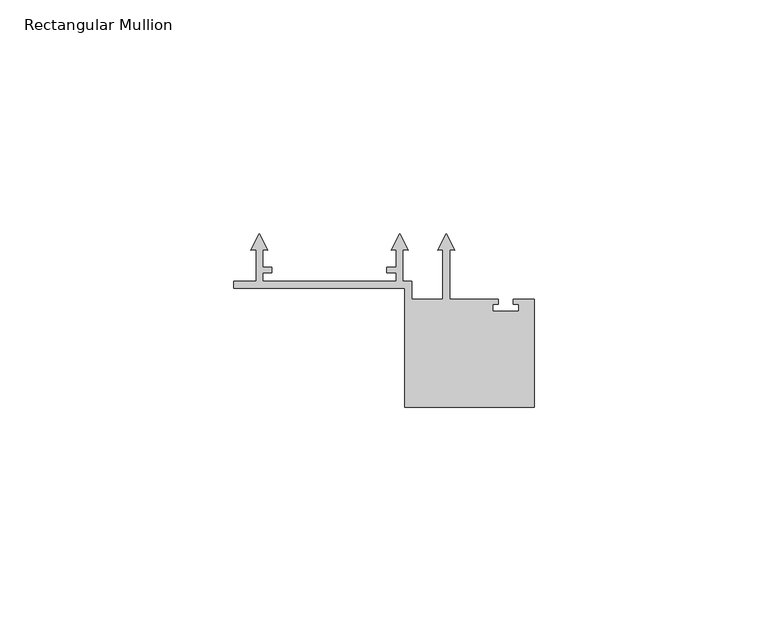
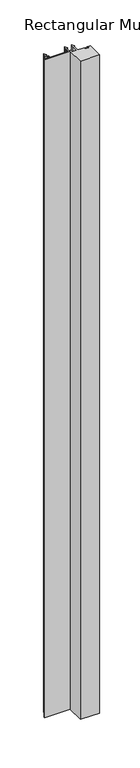
"""IFC4 building model written with IfcOpenShell, lengths in millimetres: member geometry, Rectangular Mullion."""

import ifcopenshell
import ifcopenshell.guid

model = None  # the IFC model being written
_history = None  # IfcOwnerHistory: only IFC2X3 demands one
_inside = {}  # id of a spatial element -> (the spatial element, [elements in it])
_under = {}  # id of a project, library or spatial element -> (it, [spatial elements below it])
_declared = {}  # id of a project -> (the project, [libraries it declares])
_typed = {}  # id of a type object -> (the type object, [elements of that type])
_made_of = {}  # id of a material, layer set ... -> (it, [elements and type objects made of it])


def new_model(schema):
    """Start an empty IFC model of exactly this schema.

    Asked for "IFC4X3", IfcOpenShell would pick the latest addendum, in which some entities
    have other attributes; the version numbers below select the first issue.
    IFC2X3 requires an IfcOwnerHistory on every rooted entity: one is made here for all.
    """
    global model, _history
    if schema == "IFC4X3":
        model = ifcopenshell.file(schema_version=(4, 3, 0, 0))
    else:
        model = ifcopenshell.file(schema=schema)
    _inside.clear()
    _under.clear()
    _declared.clear()
    _typed.clear()
    _made_of.clear()
    _history = None
    if model.schema == "IFC2X3":
        org = make("IfcOrganization", Name="unknown")
        user = make(
            "IfcPersonAndOrganization",
            ThePerson=make("IfcPerson", FamilyName="unknown"),
            TheOrganization=org,
        )
        app = make(
            "IfcApplication",
            ApplicationDeveloper=org,
            Version="unknown",
            ApplicationFullName="unknown",
            ApplicationIdentifier="unknown",
        )
        _history = make(
            "IfcOwnerHistory",
            OwningUser=user,
            OwningApplication=app,
            ChangeAction="ADDED",
            CreationDate=0,
        )
    return model


def make(cls, **values):
    """One entity of the class cls with the attributes given. An attribute that is None is left unset."""
    return model.create_entity(
        cls, **{name: value for name, value in values.items() if value is not None}
    )


def rooted(cls, **values):
    """An entity with a GlobalId (a new one), such as an element, a storey or a relation."""
    return make(cls, GlobalId=ifcopenshell.guid.new(), OwnerHistory=_history, **values)


def si_unit(unit_type, name, prefix=None):
    """IfcSIUnit, for example si_unit("LENGTHUNIT", "METRE", prefix="MILLI")."""
    return make("IfcSIUnit", UnitType=unit_type, Prefix=prefix, Name=name)


def assignment(units):
    """IfcUnitAssignment: the units of a project."""
    return None if units is None else make("IfcUnitAssignment", Units=units)


def point(xyz):
    """IfcCartesianPoint."""
    return None if xyz is None else make("IfcCartesianPoint", Coordinates=xyz)


def direction(xyz):
    """IfcDirection."""
    return None if xyz is None else make("IfcDirection", DirectionRatios=xyz)


def frame(location, z_axis=None, x_axis=None):
    """IfcAxis2Placement3D, a coordinate frame: its origin and axes. An axis left out is left unset."""
    return make(
        "IfcAxis2Placement3D",
        Location=point(location),
        Axis=direction(z_axis),
        RefDirection=direction(x_axis),
    )


def origin():
    """The frame at (0, 0, 0) with its axes left unset."""
    return frame((0.0, 0.0, 0.0))


def place(relative_to, where):
    """IfcLocalPlacement: puts the frame where relative to a parent placement (None: the world)."""
    return make(
        "IfcLocalPlacement", PlacementRelTo=relative_to, RelativePlacement=where
    )


def context(
    kind, dimensions, precision=None, world=None, true_north=None, identifier=None
):
    """IfcGeometricRepresentationContext, for example the 3D "Model" context."""
    return make(
        "IfcGeometricRepresentationContext",
        ContextIdentifier=identifier,
        ContextType=kind,
        CoordinateSpaceDimension=dimensions,
        Precision=precision,
        WorldCoordinateSystem=world,
        TrueNorth=true_north,
    )


def project(units=None, contexts=None):
    """IfcProject with its units and contexts."""
    return rooted(
        "IfcProject",
        Name="project",
        RepresentationContexts=contexts,
        UnitsInContext=assignment(units),
    )


def spatial(cls, under=None, at=None, **own):
    """A site, building, storey or space (cls), placed at a placement, below another one or the project."""
    s = rooted(cls, ObjectPlacement=at, **own)
    if under is not None:
        _under.setdefault(under.id(), (under, []))[1].append(s)
    return s


def polyline(points):
    """IfcPolyline through the points."""
    return make("IfcPolyline", Points=[point(p) for p in points])


def outline(outer, holes=None, kind="AREA"):
    """IfcArbitraryClosedProfileDef: a profile drawn as a closed curve; with holes, ...WithVoids."""
    if holes is None:
        return make("IfcArbitraryClosedProfileDef", ProfileType=kind, OuterCurve=outer)
    return make(
        "IfcArbitraryProfileDefWithVoids",
        ProfileType=kind,
        OuterCurve=outer,
        InnerCurves=holes,
    )


def extrude(swept, where, along, depth):
    """IfcExtrudedAreaSolid: the profile swept, set in the frame where, extruded along a direction by depth."""
    return make(
        "IfcExtrudedAreaSolid",
        SweptArea=swept,
        Position=where,
        ExtrudedDirection=direction(along),
        Depth=depth,
    )


def shape(context_of_items, identifier, shape_type, items):
    """IfcShapeRepresentation: the items that make up one representation, for example the "Body"."""
    return make(
        "IfcShapeRepresentation",
        ContextOfItems=context_of_items,
        RepresentationIdentifier=identifier,
        RepresentationType=shape_type,
        Items=items,
    )


def source(mapping_origin, context_of_items, identifier, shape_type, items):
    """IfcRepresentationMap: a shape defined once, which mapped items show again and again."""
    return make(
        "IfcRepresentationMap",
        MappingOrigin=mapping_origin,
        MappedRepresentation=shape(context_of_items, identifier, shape_type, items),
    )


def transform(
    local_origin,
    x_axis=None,
    y_axis=None,
    z_axis=None,
    scale=None,
    scale2=None,
    scale3=None,
    uniform=True,
):
    """IfcCartesianTransformationOperator3D, or its non-uniform kind. x_axis, y_axis, z_axis: its Axis1, 2, 3."""
    if uniform:
        return make(
            "IfcCartesianTransformationOperator3D",
            Axis1=direction(x_axis),
            Axis2=direction(y_axis),
            LocalOrigin=point(local_origin),
            Scale=scale,
            Axis3=direction(z_axis),
        )
    return make(
        "IfcCartesianTransformationOperator3DnonUniform",
        Axis1=direction(x_axis),
        Axis2=direction(y_axis),
        LocalOrigin=point(local_origin),
        Scale=scale,
        Axis3=direction(z_axis),
        Scale2=scale2,
        Scale3=scale3,
    )


def mapped(mapping_source, mapping_target):
    """IfcMappedItem: shows the shape of a source again, moved by a transform."""
    return make(
        "IfcMappedItem", MappingSource=mapping_source, MappingTarget=mapping_target
    )


def made_of(thing, what):
    """Note that an element or type object is made of a material, layer set ...; save() writes the relation."""
    if what is not None:
        _made_of.setdefault(what.id(), (what, []))[1].append(thing)
    return thing


def element(
    cls,
    number,
    at=None,
    inside=None,
    cuts=None,
    type_object=None,
    material=None,
    context=None,
    identifier="Body",
    shape_type=None,
    held_by="IfcProductDefinitionShape",
    body=None,
    shapes=None,
    **own,
):
    """One element of the class cls, such as IfcWall. Its Tag is "e" and its number.

    at: its placement. inside: the storey or other place that contains it. cuts: it is an
    opening in that element (IfcRelVoidsElement). A single representation is given by context,
    identifier, shape_type and body (its items); several are given by shapes. held_by: the class
    of the entity that holds the representations. save() writes the other relations.
    """
    e = rooted(cls, Tag="e%d" % number, ObjectPlacement=at, **own)
    if body is not None:
        shapes = [shape(context, identifier, shape_type, body)]
    if shapes is not None:
        e.Representation = make(held_by, Representations=shapes)
    if inside is not None:
        _inside.setdefault(inside.id(), (inside, []))[1].append(e)
    if cuts is not None:
        rooted(
            "IfcRelVoidsElement", RelatingBuildingElement=cuts, RelatedOpeningElement=e
        )
    if type_object is not None:
        _typed.setdefault(type_object.id(), (type_object, []))[1].append(e)
    return made_of(e, material)


def aggregate(whole, parts):
    """IfcRelAggregates: a whole, such as a stair, and the parts it consists of."""
    return rooted("IfcRelAggregates", RelatingObject=whole, RelatedObjects=parts)


def save(model, path):
    """Write the relations noted so far, then the file.

    IfcRelAggregates (storeys below a building ...), IfcRelContainedInSpatialStructure (elements
    in a storey), IfcRelDefinesByType, IfcRelAssociatesMaterial and IfcRelDeclares: one each for
    every whole, place, type object, material and project.
    """
    for whole, parts in _under.values():
        aggregate(whole, parts)
    for where, things in _inside.values():
        rooted(
            "IfcRelContainedInSpatialStructure",
            RelatedElements=things,
            RelatingStructure=where,
        )
    for kind, things in _typed.values():
        rooted("IfcRelDefinesByType", RelatedObjects=things, RelatingType=kind)
    for what, things in _made_of.values():
        rooted("IfcRelAssociatesMaterial", RelatedObjects=things, RelatingMaterial=what)
    for by, libraries in _declared.values():
        rooted("IfcRelDeclares", RelatingContext=by, RelatedDefinitions=libraries)
    model.write(path)


def rectangular_mullion_2024d18b(model_context):
    return source(origin(), model_context, "Body", "SweptSolid", [
        extrude(outline(polyline([(0.0, -36.2000004), (0.0, -34.7000006), (4.7999998, -34.7000006), (4.8000027, -28.0038205), (3.6842638, -28.101435), (5.5000004, -24.5378476), (7.315737, -28.101435), (6.2000002, -28.0038207), (6.2000002, -31.7000004), (8.2000002, -31.7000004), (8.2000002, -32.9000004), (6.2000002, -32.9000004), (6.2000002, -34.7000006), (34.8000002, -34.7000006), (34.8000002, -32.9000004), (32.8000002, -32.9000004), (32.8000002, -31.7000004), (34.8000002, -31.7000004), (34.8000002, -28.0038207), (33.6842635, -28.101435), (35.5000001, -24.5378476), (37.3157367, -28.101435), (36.1999978, -28.0038205), (36.2000007, -34.7000006), (38.1500005, -34.7000006), (38.1500005, -38.6000002), (44.8000015, -38.6000002), (44.8000015, -28.0038207), (43.6842647, -28.101435), (45.5000013, -24.5378476), (47.3157379, -28.101435), (46.2000001, -28.0038206), (46.2000001, -38.6000002), (56.6500005, -38.6000002), (56.6500005, -39.6000002), (55.5000005, -39.6000002), (55.5000005, -41.1000002), (61.0000005, -41.1000002), (61.0000005, -39.6000002), (59.8500005, -39.6000002), (59.8500005, -38.6000002), (64.3500005, -38.6000002), (64.3500005, -61.7), (36.6500005, -61.7), (36.6500005, -36.2000004), (0.0, -36.2000004)])), frame((0.0, 0.0, -1000.0), z_axis=(0.0, 0.0, 1.0), x_axis=(1.0, 0.0, 0.0)), (0.0, 0.0, 1.0), 1000.0),
    ])


if __name__ == "__main__":
    model = new_model("IFC4")
    model_context = context("Model", 3, world=origin())
    ifc_project = project(units=[si_unit("LENGTHUNIT", "METRE", prefix="MILLI")], contexts=[model_context])
    site = spatial("IfcSite", under=ifc_project)
    building = spatial("IfcBuilding", under=site)
    placement = place(None, origin())
    rectangular_mullion_shape = rectangular_mullion_2024d18b(model_context)
    element("IfcMember", 1, ObjectType="Rectangular Mullion", at=placement, inside=building, context=model_context, shape_type="MappedRepresentation", body=[
        mapped(rectangular_mullion_shape, transform((0.0, 0.0, 0.0), x_axis=(1.0, 0.0, 0.0), y_axis=(0.0, 1.0, 0.0), z_axis=(0.0, 0.0, 1.0))),
    ])
    save(model, "model.ifc")
